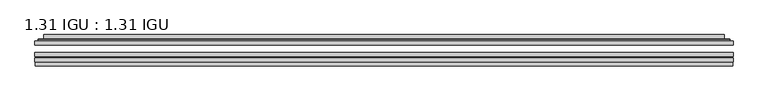
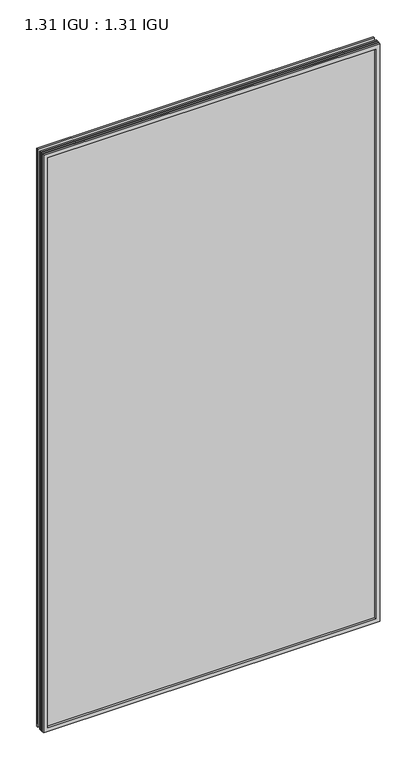
"""IFC4 building model written with IfcOpenShell, lengths in millimetres: plate geometry, 1.31 IGU : 1.31 IGU."""

from ifc_helpers import new_model, si_unit, frame, origin, place, context, project, spatial, polyline, ellipse_curve, outline, extrude, faceted_brep, source, transform, mapped, element, save
from ifc_brep_helpers import plane_surface, cylinder_surface, advanced_brep


def plate_1_31_igu_1_31_igu_2f9e440e(model_context):
    return source(origin(), model_context, "Body", "SolidModel", [
        extrude(outline(polyline([(554.051675, -63.59525), (554.051675, -69.94525), (-554.0375, -69.94525), (-554.0375, -63.59525), (554.051675, -63.59525)])), frame((0.0, 0.0, -14.2875), z_axis=(0.0, 0.0, 1.0), x_axis=(1.0, 0.0, 0.0)), (0.0, 0.0, 1.0), 2009.8015278),
        extrude(outline(polyline([(-554.0375, -78.58125), (-554.0375, -72.230745), (554.051675, -72.230745), (554.051675, -78.58125), (-554.0375, -78.58125)])), frame((0.0, 0.0, -14.2875), z_axis=(0.0, 0.0, 1.0), x_axis=(1.0, 0.0, 0.0)), (0.0, 0.0, 1.0), 2009.8015278),
        extrude(outline(polyline([(554.051675, -45.25645), (554.051675, -51.60645), (-554.0375, -51.60645), (-554.0375, -45.25645), (554.051675, -45.25645)])), frame((0.0, 0.0, -14.2875), z_axis=(0.0, 0.0, 1.0), x_axis=(1.0, 0.0, 0.0)), (0.0, 0.0, 1.0), 2009.8015278),
        faceted_brep([(-553.3373142, -84.93125, 1994.8100441), (-553.3373142, -78.58125, 1994.8100441), (-553.3373142, -78.58125, -13.5873142), (-553.3373142, -84.93125, -13.5873142), (553.3373142, -78.58125, -13.5873142), (553.3373142, -84.93125, -13.5873142), (553.3373142, -78.58125, 1994.8100441), (553.3373142, -84.93125, 1994.8100441), (-538.8522559, -78.58125, 0.8977441), (538.8522559, -78.58125, 0.8977441), (538.8522559, -78.58125, 1980.3249858), (-538.8522559, -78.58125, 1980.3249858), (-539.7446902, -84.93125, 1981.2174201), (539.7446902, -84.93125, 1981.2174201), (539.7446902, -84.93125, 0.0053098), (-539.7446902, -84.93125, 0.0053098)], [[[0, 1, 2, 3]], [[3, 2, 4, 5]], [[5, 4, 6, 7]], [[1, 6, 4, 2], [8, 9, 10, 11]], [[7, 6, 1, 0]], [[3, 5, 7, 0], [12, 13, 14, 15]], [[11, 12, 15, 8]], [[8, 15, 14, 9]], [[9, 14, 13, 10]], [[10, 13, 12, 11]]]),
        advanced_brep(
        [(-546.796219, -45.25645, 1988.2689489), (-549.1504244, -43.2667833, 1990.6231543), (-549.1504244, -43.2667833, -9.4004244), (-546.796219, -45.25645, -7.046219), (-537.7218939, -41.416413, 1979.1946238), (-532.7870621, -45.25645, 1974.2597919), (-532.7870621, -45.25645, 6.9629379), (-537.7218939, -41.416413, 2.0281061), (-538.7539217, -36.0191819, 1980.2266515), (-538.7539217, -36.0191819, 0.9960783), (-539.7445784, -35.6202069, 1981.2173083), (-539.7445784, -35.6202069, 0.0054216), (-539.7445784, -42.08145, 1981.2173083), (-539.7445784, -42.08145, 0.0054216), (-548.1486349, -42.08145, 1989.6213648), (-548.1486349, -42.08145, -8.3986349), (549.1504244, -43.2667833, -9.4004244), (546.796219, -45.25645, -7.046219), (532.7870621, -45.25645, 6.9629379), (537.7218939, -41.416413, 2.0281061), (538.7539217, -36.0191819, 0.9960783), (539.7445784, -35.6202069, 0.0054216), (539.7445784, -42.08145, 0.0054216), (548.1486349, -42.08145, -8.3986349), (549.1504244, -43.2667833, 1990.6231543), (546.796219, -45.25645, 1988.2689489), (532.7870621, -45.25645, 1974.2597919), (537.7218939, -41.416413, 1979.1946238), (538.7539217, -36.0191819, 1980.2266515), (539.7445784, -35.6202069, 1981.2173083), (539.7445784, -42.08145, 1981.2173083), (548.1486349, -42.08145, 1989.6213648)],
        [
            (0, 1, ellipse_curve(frame((-546.796219, -42.86885, 1988.2689489), z_axis=(-0.7071067811865475, 0.0, -0.7071067811865475), x_axis=(-0.7071067811865474, 0.0, 0.7071067811865476)), 3.3765763, 2.3876)),
            (1, 2),
            (2, 3, ellipse_curve(frame((-546.796219, -42.86885, -7.046219), z_axis=(-0.7071067811865475, 0.0, 0.7071067811865475), x_axis=(0.7071067811865474, 0.0, 0.7071067811865476)), 3.3765763, 2.3876)),
            (3, 0),
            (4, 5),
            (5, 6),
            (6, 7),
            (7, 4),
            (8, 4),
            (7, 9),
            (9, 8),
            (10, 8, ellipse_curve(frame((-539.3776219, -36.1384423, 1980.8503517), z_axis=(-0.7071067811865475, 0.0, -0.7071067811865475), x_axis=(-0.7071067811865474, 0.0, 0.7071067811865476)), 0.8980256, 0.635)),
            (9, 11, ellipse_curve(frame((-539.3776219, -36.1384423, 0.3723781), z_axis=(-0.7071067811865475, 0.0, 0.7071067811865475), x_axis=(0.7071067811865474, 0.0, 0.7071067811865476)), 0.8980256, 0.635)),
            (11, 10),
            (12, 10),
            (11, 13),
            (13, 12),
            (1, 14, ellipse_curve(frame((-548.1486349, -43.09745, 1989.6213648), z_axis=(-0.7071067811865475, 0.0, -0.7071067811865475), x_axis=(-0.7071067811865474, 0.0, 0.7071067811865476)), 1.436841, 1.016)),
            (14, 15),
            (15, 2, ellipse_curve(frame((-548.1486349, -43.09745, -8.3986349), z_axis=(-0.7071067811865475, 0.0, 0.7071067811865475), x_axis=(0.7071067811865474, 0.0, 0.7071067811865476)), 1.436841, 1.016)),
            (2, 16),
            (16, 17, ellipse_curve(frame((546.796219, -42.86885, -7.046219), z_axis=(-0.7071067811865475, 0.0, -0.7071067811865475), x_axis=(-0.7071067811865476, 0.0, 0.7071067811865474)), 3.3765763, 2.3876)),
            (17, 3),
            (6, 18),
            (18, 19),
            (19, 7),
            (19, 20),
            (20, 9),
            (20, 21, ellipse_curve(frame((539.3776219, -36.1384423, 0.3723781), z_axis=(-0.7071067811865475, 0.0, -0.7071067811865475), x_axis=(-0.7071067811865476, 0.0, 0.7071067811865474)), 0.8980256, 0.635)),
            (21, 11),
            (21, 22),
            (22, 13),
            (15, 23),
            (23, 16, ellipse_curve(frame((548.1486349, -43.09745, -8.3986349), z_axis=(-0.7071067811865475, 0.0, -0.7071067811865475), x_axis=(-0.7071067811865476, 0.0, 0.7071067811865474)), 1.436841, 1.016)),
            (16, 24),
            (24, 25, ellipse_curve(frame((546.796219, -42.86885, 1988.2689489), z_axis=(0.7071067811865475, 0.0, -0.7071067811865475), x_axis=(-0.7071067811865474, 0.0, -0.7071067811865476)), 3.3765763, 2.3876)),
            (25, 17),
            (18, 26),
            (26, 27),
            (27, 19),
            (27, 28),
            (28, 20),
            (28, 29, ellipse_curve(frame((539.3776219, -36.1384423, 1980.8503517), z_axis=(0.7071067811865475, 0.0, -0.7071067811865475), x_axis=(-0.7071067811865474, 0.0, -0.7071067811865476)), 0.8980256, 0.635)),
            (29, 21),
            (29, 30),
            (30, 22),
            (23, 31),
            (31, 24, ellipse_curve(frame((548.1486349, -43.09745, 1989.6213648), z_axis=(0.7071067811865475, 0.0, -0.7071067811865475), x_axis=(-0.7071067811865474, 0.0, -0.7071067811865476)), 1.436841, 1.016)),
            (24, 1),
            (0, 25),
            (5, 26),
            (4, 27),
            (8, 28),
            (10, 29),
            (12, 30),
            (14, 31),
        ],
        [
            cylinder_surface(frame((-546.796219, -42.86885, 2012.9727299), z_axis=(0.0, 0.0, 1.0), x_axis=(-1.0, 0.0, 0.0)), 2.3876),
            plane_surface(frame((-532.7870621, -45.25645, 1974.2597919), z_axis=(0.6141233906514794, 0.7892100234124821, 0.0), x_axis=(0.0, 0.0, -1.0))),
            plane_surface(frame((-537.7218939, -41.416413, 1979.1946238), z_axis=(0.9822050625507729, 0.18781164793386076, 0.0), x_axis=(0.0, 0.0, -1.0))),
            cylinder_surface(frame((-539.3776219, -36.1384423, 2012.9727299), z_axis=(0.0, 0.0, 1.0), x_axis=(-1.0, 0.0, 0.0)), 0.635),
            plane_surface(frame((-539.7445784, -35.6202069, 1981.2173083), z_axis=(-1.0, 0.0, 0.0), x_axis=(0.0, 0.0, -1.0))),
            cylinder_surface(frame((-548.1486349, -43.09745, 2012.9727299), z_axis=(0.0, 0.0, 1.0), x_axis=(-1.0, 0.0, 0.0)), 1.016),
            cylinder_surface(frame((-571.5, -42.86885, -7.046219), z_axis=(-1.0, 0.0, 0.0), x_axis=(0.0, 0.0, -1.0)), 2.3876),
            plane_surface(frame((-532.7870621, -45.25645, 6.9629379), z_axis=(0.0, 0.7892100234124841, 0.6141233906514768), x_axis=(1.0, 0.0, 0.0))),
            plane_surface(frame((-537.7218939, -41.416413, 2.0281061), z_axis=(0.0, 0.18781164793386393, 0.9822050625507723), x_axis=(1.0, 0.0, 0.0))),
            cylinder_surface(frame((-571.5, -36.1384423, 0.3723781), z_axis=(-1.0, 0.0, 0.0), x_axis=(0.0, 0.0, -1.0)), 0.635),
            plane_surface(frame((-539.7445784, -35.6202069, 0.0054216), z_axis=(0.0, 0.0, -1.0), x_axis=(1.0, 0.0, 0.0))),
            cylinder_surface(frame((-571.5, -43.09745, -8.3986349), z_axis=(-1.0, 0.0, 0.0), x_axis=(0.0, 0.0, -1.0)), 1.016),
            cylinder_surface(frame((546.796219, -42.86885, -31.75), z_axis=(0.0, 0.0, -1.0), x_axis=(1.0, 0.0, 0.0)), 2.3876),
            plane_surface(frame((532.7870621, -45.25645, 6.9629379), z_axis=(-0.6141233906514743, 0.7892100234124861, 0.0), x_axis=(0.0, 0.0, 1.0))),
            plane_surface(frame((537.7218939, -41.416413, 2.0281061), z_axis=(-0.9822050625507718, 0.1878116479338671, 0.0), x_axis=(0.0, 0.0, 1.0))),
            cylinder_surface(frame((539.3776219, -36.1384423, -31.75), z_axis=(0.0, 0.0, -1.0), x_axis=(1.0, 0.0, 0.0)), 0.635),
            plane_surface(frame((539.7445784, -35.6202069, 0.0054216), z_axis=(1.0, 0.0, 0.0), x_axis=(0.0, 0.0, 1.0))),
            cylinder_surface(frame((548.1486349, -43.09745, -31.75), z_axis=(0.0, 0.0, -1.0), x_axis=(1.0, 0.0, 0.0)), 1.016),
            cylinder_surface(frame((571.5, -42.86885, 1988.2689489), z_axis=(1.0, 0.0, 0.0), x_axis=(0.0, 0.0, 1.0)), 2.3876),
            plane_surface(frame((546.796219, -45.25645, 1988.2689489), z_axis=(0.0, -1.0, 0.0), x_axis=(-1.0, 0.0, 0.0))),
            plane_surface(frame((532.7870621, -45.25645, 1974.2597919), z_axis=(0.0, 0.7892100234124841, -0.6141233906514768), x_axis=(-1.0, 0.0, 0.0))),
            plane_surface(frame((537.7218939, -41.416413, 1979.1946238), z_axis=(0.0, 0.18781164793386393, -0.9822050625507723), x_axis=(-1.0, 0.0, 0.0))),
            cylinder_surface(frame((571.5, -36.1384423, 1980.8503517), z_axis=(1.0, 0.0, 0.0), x_axis=(0.0, 0.0, 1.0)), 0.635),
            plane_surface(frame((539.7445784, -35.6202069, 1981.2173083), z_axis=(0.0, 0.0, 1.0), x_axis=(-1.0, 0.0, 0.0))),
            plane_surface(frame((539.7445784, -42.08145, 1981.2173083), z_axis=(0.0, 1.0, 0.0), x_axis=(-1.0, 0.0, 0.0))),
            cylinder_surface(frame((571.5, -43.09745, 1989.6213648), z_axis=(1.0, 0.0, 0.0), x_axis=(0.0, 0.0, 1.0)), 1.016),
        ],
        [
            (0, [[1, 2, 3, 4]]),
            (1, [[5, 6, 7, 8]]),
            (2, [[9, -8, 10, 11]]),
            (3, [[12, -11, 13, 14]]),
            (4, [[15, -14, 16, 17]]),
            (5, [[18, 19, 20, -2]]),
            (6, [[-3, 21, 22, 23]]),
            (7, [[-7, 24, 25, 26]]),
            (8, [[-10, -26, 27, 28]]),
            (9, [[-13, -28, 29, 30]]),
            (10, [[-16, -30, 31, 32]]),
            (11, [[-20, 33, 34, -21]]),
            (12, [[-22, 35, 36, 37]]),
            (13, [[-25, 38, 39, 40]]),
            (14, [[-27, -40, 41, 42]]),
            (15, [[-29, -42, 43, 44]]),
            (16, [[-31, -44, 45, 46]]),
            (17, [[-34, 47, 48, -35]]),
            (18, [[-36, 49, -1, 50]]),
            (19, [[-23, -37, -50, -4], [51, -38, -24, -6]]),
            (20, [[-39, -51, -5, 52]]),
            (21, [[-41, -52, -9, 53]]),
            (22, [[-43, -53, -12, 54]]),
            (23, [[-45, -54, -15, 55]]),
            (24, [[56, -47, -33, -19], [-32, -46, -55, -17]]),
            (25, [[-48, -56, -18, -49]]),
        ],
    ),
    ])


if __name__ == "__main__":
    model = new_model("IFC4")
    model_context = context("Model", 3, world=origin())
    ifc_project = project(units=[si_unit("LENGTHUNIT", "METRE", prefix="MILLI")], contexts=[model_context])
    site = spatial("IfcSite", under=ifc_project)
    building = spatial("IfcBuilding", under=site)
    placement = place(None, origin())
    plate_1_31_igu_1_31_igu_shape = plate_1_31_igu_1_31_igu_2f9e440e(model_context)
    element("IfcPlate", 1, ObjectType="1.31 IGU : 1.31 IGU", at=placement, inside=building, context=model_context, shape_type="MappedRepresentation", body=[
        mapped(plate_1_31_igu_1_31_igu_shape, transform((0.0, 0.0, 0.0), x_axis=(1.0, 0.0, 0.0), y_axis=(0.0, 1.0, 0.0), z_axis=(0.0, 0.0, 1.0))),
    ])
    save(model, "model.ifc")
